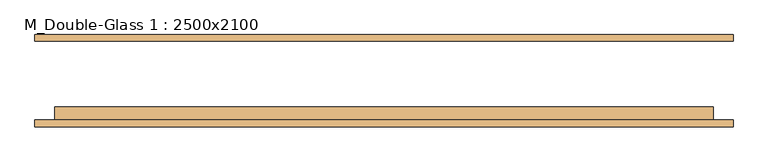
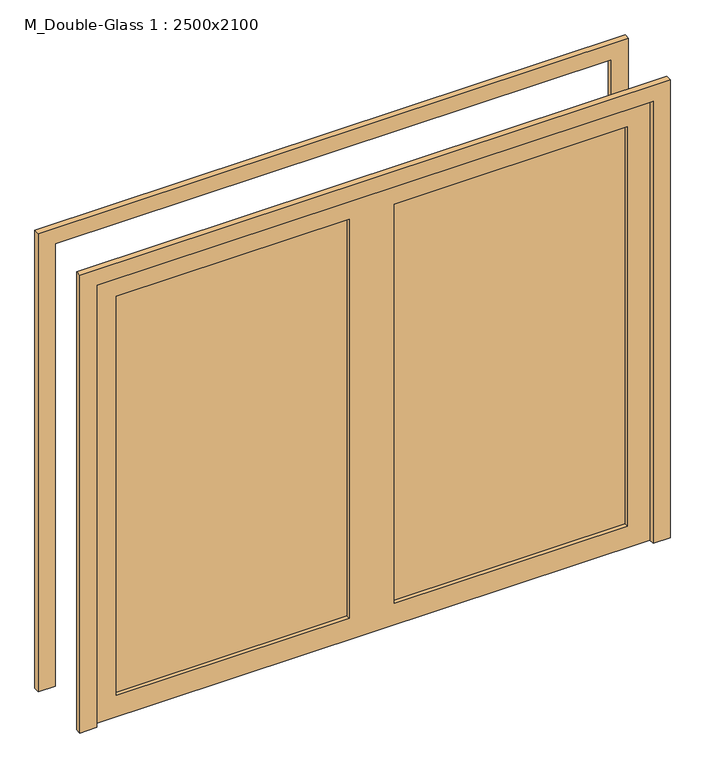
"""IFC4 building model written with IfcOpenShell, lengths in millimetres: door geometry, M_Double-Glass 1 : 2500x2100."""

from ifc_helpers import new_model, si_unit, frame, origin, place, context, project, spatial, polyline, outline, extrude, source, transform, mapped, element, save


def m_double_glass_1_2500x2100_53e4ade0(model_context):
    return source(origin(), model_context, "Body", "SweptSolid", [
        extrude(outline(polyline([(0.0, 1326.0), (2176.0, 1326.0), (2176.0, -1326.0), (0.0, -1326.0), (0.0, -1250.0), (2100.0, -1250.0), (2100.0, 1250.0), (0.0, 1250.0), (0.0, 1326.0)])), frame((0.0, 147.61875, 0.0), z_axis=(0.0, 1.0, 0.0), x_axis=(0.0, 0.0, 1.0)), (0.0, 0.0, 1.0), 25.0),
        extrude(outline(polyline([(2100.0, 1250.0), (0.0, 1250.0), (0.0, 1326.0), (2176.0, 1326.0), (2176.0, -1326.0), (0.0, -1326.0), (0.0, -1250.0), (2100.0, -1250.0), (2100.0, 1250.0)])), frame((0.0, -177.38125, 0.0), z_axis=(0.0, 1.0, 0.0), x_axis=(0.0, 0.0, 1.0)), (0.0, 0.0, 1.0), 25.0),
        extrude(outline(polyline([(1148.4, -126.98125), (1148.4, -134.125), (101.6, -134.125), (101.6, -126.98125), (1148.4, -126.98125)])), frame((0.0, 0.0, 102.0), z_axis=(0.0, 0.0, 1.0), x_axis=(1.0, 0.0, 0.0)), (0.0, 0.0, 1.0), 1896.0),
        extrude(outline(polyline([(-101.6, -126.98125), (-101.6, -134.125), (-1148.4, -134.125), (-1148.4, -126.98125), (-101.6, -126.98125)])), frame((0.0, 0.0, 102.0), z_axis=(0.0, 0.0, 1.0), x_axis=(1.0, 0.0, 0.0)), (0.0, 0.0, 1.0), 1896.0),
        extrude(outline(polyline([(2100.0, 1250.0), (2100.0, -1250.0), (0.0, -1250.0), (0.0, 1250.0), (2100.0, 1250.0)]), holes=[polyline([(1998.0, -101.6), (102.0, -101.6), (102.0, -1148.4), (1998.0, -1148.4), (1998.0, -101.6)]), polyline([(1998.0, 1148.4), (102.0, 1148.4), (102.0, 101.6), (1998.0, 101.6), (1998.0, 1148.4)])]), frame((0.0, -152.38125, 0.0), z_axis=(0.0, 1.0, 0.0), x_axis=(0.0, 0.0, 1.0)), (0.0, 0.0, 1.0), 51.0),
    ])


if __name__ == "__main__":
    model = new_model("IFC4")
    model_context = context("Model", 3, world=origin())
    ifc_project = project(units=[si_unit("LENGTHUNIT", "METRE", prefix="MILLI")], contexts=[model_context])
    site = spatial("IfcSite", under=ifc_project)
    building = spatial("IfcBuilding", under=site)
    placement = place(None, origin())
    m_double_glass_1_2500x2100_shape = m_double_glass_1_2500x2100_53e4ade0(model_context)
    element("IfcDoor", 1, ObjectType="M_Double-Glass 1 : 2500x2100", at=placement, inside=building, context=model_context, shape_type="MappedRepresentation", body=[
        mapped(m_double_glass_1_2500x2100_shape, transform((0.0, 0.0, 0.0), x_axis=(1.0, 0.0, 0.0), y_axis=(0.0, 1.0, 0.0), z_axis=(0.0, 0.0, 1.0))),
    ])
    save(model, "model.ifc")
